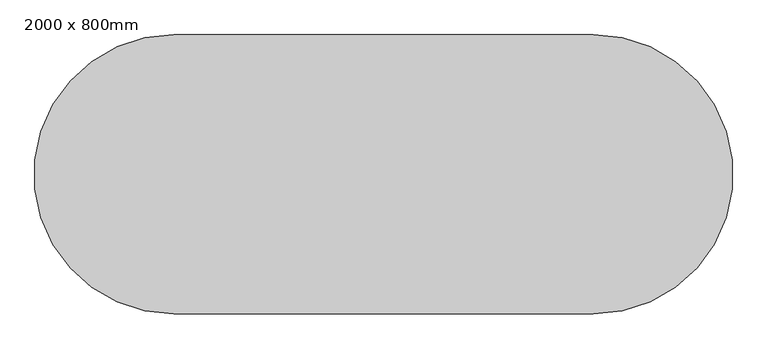
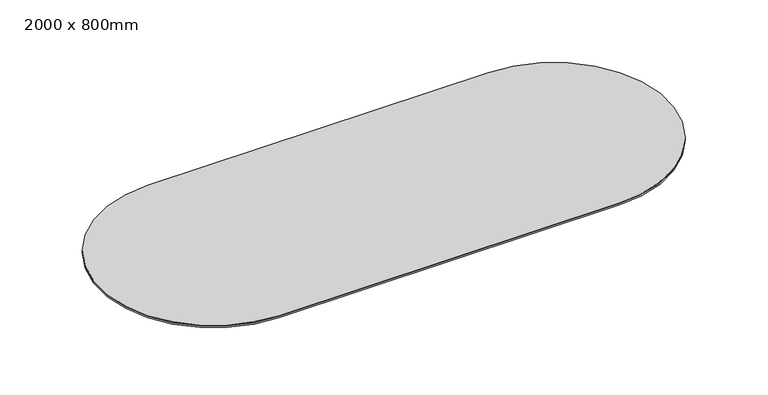
"""IFC4 building model written with IfcOpenShell, lengths in millimetres: furniture geometry, 2000 x 800mm."""

from ifc_helpers import new_model, si_unit, point, frame, frame_2d, origin, place, context, project, spatial, polyline, circle_curve, trimmed, segment, composite_curve, outline, extrude, source, transform, mapped, element, save
from ifc_brep_helpers import plane_surface, revolved_surface, advanced_brep


def furniture_2000_x_800mm_384e4818(model_context):
    return source(origin(), model_context, "Body", "SolidModel", [
        advanced_brep(
        [(3.098418, -360.0, 1023.9642633), (3.098418, 360.0, 1023.9642633), (1203.098418, 360.0, 1023.9642633), (1203.098418, -360.0, 1023.9642633), (3.098418, -400.0, 1041.8813294), (1203.098418, -400.0, 1041.8813294), (1203.098418, 400.0, 1041.8813294), (3.098418, 400.0, 1041.8813294)],
        [
            (0, 1, circle_curve(frame((3.098418, 0.0, 1023.9642633), z_axis=(0.0, 0.0, -1.0), x_axis=(0.0, -1.0, 0.0)), 360.0)),
            (1, 2),
            (2, 3, circle_curve(frame((1203.098418, 0.0, 1023.9642633), z_axis=(0.0, 0.0, -1.0), x_axis=(0.0, 1.0, 0.0)), 360.0)),
            (3, 0),
            (4, 5),
            (5, 6, circle_curve(frame((1203.098418, 0.0, 1041.8813294), z_axis=(0.0, 0.0, 1.0), x_axis=(0.0, 1.0, 0.0)), 400.0)),
            (6, 7),
            (7, 4, circle_curve(frame((3.098418, 0.0, 1041.8813294), z_axis=(0.0, 0.0, 1.0), x_axis=(0.0, -1.0, 0.0)), 400.0)),
            (7, 1),
            (0, 4),
            (6, 2),
            (5, 3),
        ],
        [
            plane_surface(frame((603.098418, 0.0, 1023.9642633), z_axis=(0.0, 0.0, -1.0), x_axis=(-1.0, 0.0, 0.0))),
            plane_surface(frame((603.098418, 0.0, 1041.8813294), z_axis=(0.0, 0.0, 1.0), x_axis=(-1.0, 0.0, 0.0))),
            revolved_surface(polyline([(3.098418, -359.99999995534995, 1023.9642633), (3.098418, -400.0, 1041.8813294)]), (3.098418, 0.0, 862.7106686), (0.0, 0.0, 1.0)),
            plane_surface(frame((603.098418, 400.0, 1041.8813294), z_axis=(0.0, 0.40879051476128525, -0.9126282458050504), x_axis=(1.0, 0.0, 0.0))),
            revolved_surface(polyline([(1203.098418, 359.99999995534995, 1023.9642633), (1203.098418, 400.0, 1041.8813294)]), (1203.098418, 0.0, 862.7106686), (0.0, 0.0, 1.0)),
            plane_surface(frame((603.098418, -400.0, 1041.8813294), z_axis=(0.0, -0.40879051476128236, -0.9126282458050516), x_axis=(-1.0, 0.0, 0.0))),
        ],
        [
            (0, [[1, 2, 3, 4]]),
            (1, [[5, 6, 7, 8]]),
            (2, [[-8, 9, -1, 10]]),
            (3, [[-7, 11, -2, -9]]),
            (4, [[-6, 12, -3, -11]]),
            (5, [[-5, -10, -4, -12]]),
        ],
    ),
        extrude(outline(composite_curve([segment(trimmed(circle_curve(frame_2d((3.098418, 0.0)), 400.0), [point((3.098418, -400.0))], [point((3.098418, 400.0))], False, "CARTESIAN"), True, "CONTINUOUS"), segment(polyline([(3.098418, 400.0), (1203.098418, 400.0)]), True, "CONTINUOUS"), segment(trimmed(circle_curve(frame_2d((1203.098418, 0.0)), 400.0), [point((1203.098418, 400.0))], [point((1203.098418, -400.0))], False, "CARTESIAN"), True, "CONTINUOUS"), segment(polyline([(1203.098418, -400.0), (3.098418, -400.0)]), True, "CONTINUOUS")], self_intersect=False)), frame((0.0, 0.0, 1047.7603667), z_axis=(0.0, 0.0, 1.0), x_axis=(1.0, 0.0, 0.0)), (0.0, 0.0, 1.0), 2.2396333),
    ])


if __name__ == "__main__":
    model = new_model("IFC4")
    model_context = context("Model", 3, world=origin())
    ifc_project = project(units=[si_unit("LENGTHUNIT", "METRE", prefix="MILLI")], contexts=[model_context])
    site = spatial("IfcSite", under=ifc_project)
    building = spatial("IfcBuilding", under=site)
    placement = place(None, origin())
    furniture_2000_x_800mm_shape = furniture_2000_x_800mm_384e4818(model_context)
    element("IfcFurniture", 1, ObjectType="2000 x 800mm", at=placement, inside=building, context=model_context, shape_type="MappedRepresentation", body=[
        mapped(furniture_2000_x_800mm_shape, transform((0.0, 0.0, 0.0), x_axis=(1.0, 0.0, 0.0), y_axis=(0.0, 1.0, 0.0), z_axis=(0.0, 0.0, 1.0))),
    ])
    save(model, "model.ifc")
